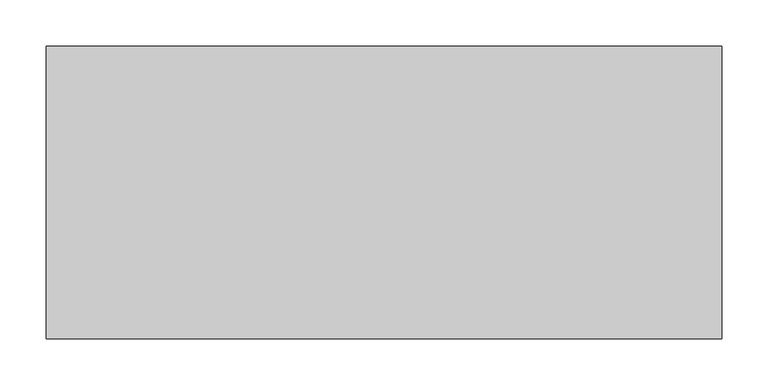
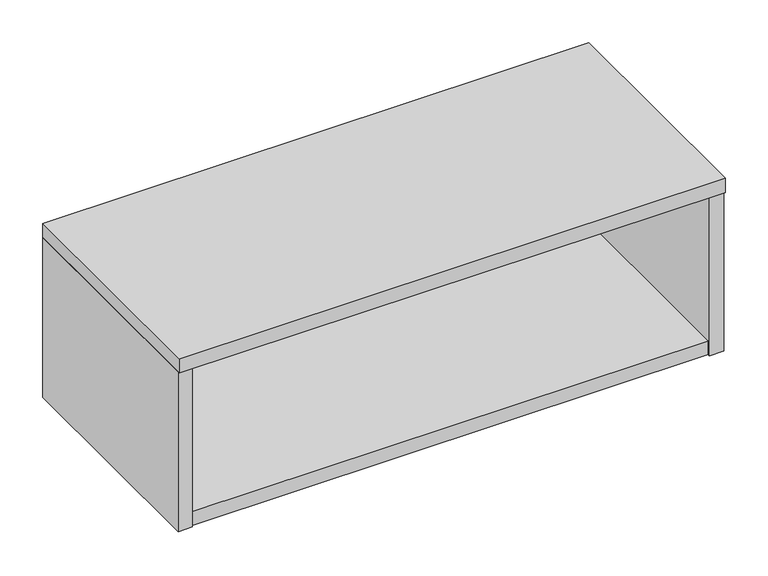
"""IFC4 building model written with IfcOpenShell, lengths in millimetres: furniture geometry."""

from ifc_helpers import new_model, si_unit, frame, origin, place, context, project, spatial, polyline, outline, extrude, source, transform, mapped, element, save


def furniture_3438c29e(model_context):
    return source(origin(), model_context, "Body", "SweptSolid", [
        extrude(outline(polyline([(20.8280006, -34.1629992), (20.8280006, -14.8589995), (715.7720184, -14.8589995), (715.7720184, -34.1629992), (20.8280006, -34.1629992)])), frame((0.0, 0.0, 814.3189198), z_axis=(0.0, 0.0, 1.0), x_axis=(1.0, 0.0, 0.0)), (0.0, 0.0, 1.0), 208.2292049),
        extrude(outline(polyline([(20.8280006, -311.4039937), (20.8280006, 0.0), (715.7720184, 0.0), (715.7720184, -311.4039937), (20.8280006, -311.4039937)])), frame((0.0, 0.0, 795.01492), z_axis=(0.0, 0.0, 1.0), x_axis=(1.0, 0.0, 0.0)), (0.0, 0.0, 1.0), 19.3039998),
        extrude(outline(polyline([(20.8280006, -314.4519908), (1.524, -314.4519908), (1.524, 0.0), (20.8280006, 0.0), (20.8280006, -314.4519908)])), frame((0.0, 0.0, 795.01492), z_axis=(0.0, 0.0, 1.0), x_axis=(1.0, 0.0, 0.0)), (0.0, 0.0, 1.0), 227.5332047),
        extrude(outline(polyline([(735.076, -314.4519908), (715.7720184, -314.4519908), (715.7720184, 0.0), (735.076, 0.0), (735.076, -314.4519908)])), frame((0.0, 0.0, 795.01492), z_axis=(0.0, 0.0, 1.0), x_axis=(1.0, 0.0, 0.0)), (0.0, 0.0, 1.0), 227.5332047),
        extrude(outline(polyline([(1.524, 0.0), (735.076, 0.0), (735.076, -317.5), (1.524, -317.5), (1.524, 0.0)])), frame((0.0, 0.0, 1022.5481247), z_axis=(0.0, 0.0, 1.0), x_axis=(1.0, 0.0, 0.0)), (0.0, 0.0, 1.0), 20.1167953),
    ])


if __name__ == "__main__":
    model = new_model("IFC4")
    model_context = context("Model", 3, world=origin())
    ifc_project = project(units=[si_unit("LENGTHUNIT", "METRE", prefix="MILLI")], contexts=[model_context])
    site = spatial("IfcSite", under=ifc_project)
    building = spatial("IfcBuilding", under=site)
    placement = place(None, origin())
    furniture_shape = furniture_3438c29e(model_context)
    element("IfcFurniture", 1, at=placement, inside=building, context=model_context, shape_type="MappedRepresentation", body=[
        mapped(furniture_shape, transform((0.0, 0.0, 0.0), x_axis=(1.0, 0.0, 0.0), y_axis=(0.0, 1.0, 0.0), z_axis=(0.0, 0.0, 1.0))),
    ])
    save(model, "model.ifc")
